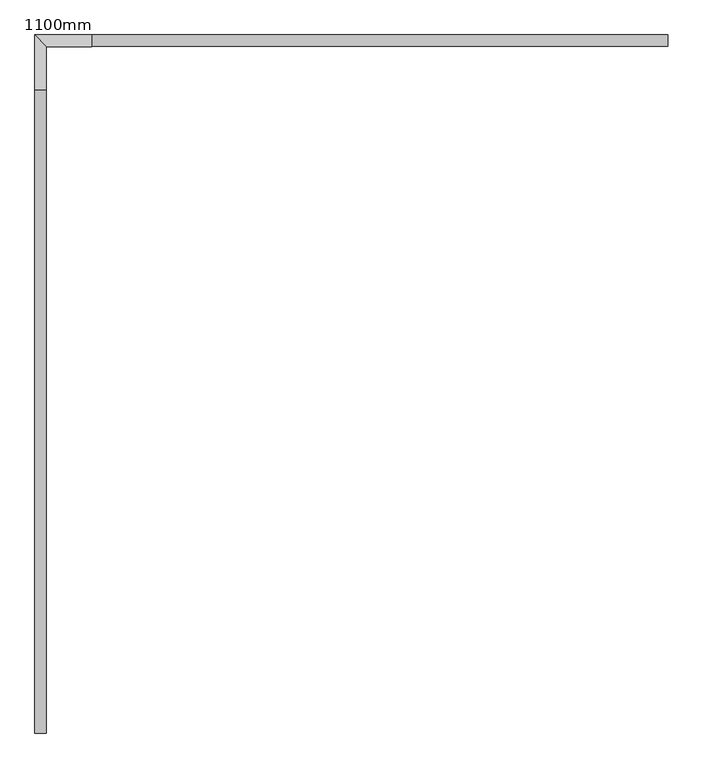
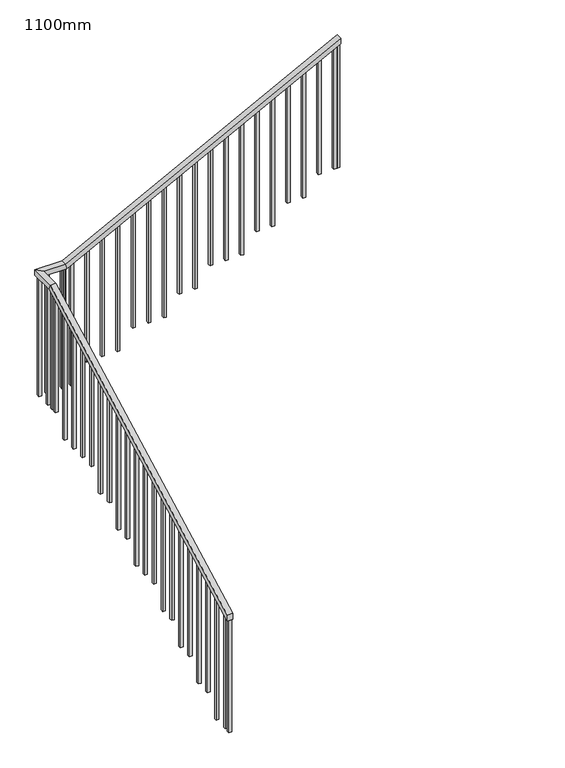
"""IFC4 building model written with IfcOpenShell, lengths in millimetres: railing geometry, 1100mm."""

from ifc_helpers import new_model, si_unit, frame, origin, place, context, project, spatial, polyline, outline, extrude, faceted_brep, source, transform, mapped, element, save


def railing_1100mm_851e2620(model_context):
    return source(origin(), model_context, "Body", "SolidModel", [
        faceted_brep([(-5407.1565664, 1073.4018878, 1304.2595932), (-5407.1565664, 1073.4018878, 1247.6476024), (-5357.1565664, 1073.4018878, 1247.6476024), (-5357.1565664, 1073.4018878, 1304.2595932), (-5407.1565664, 3850.8335, 2779.091484), (-5407.1565664, 3863.2853277, 2729.091484), (-5357.1565664, 3863.2853277, 2729.091484), (-5357.1565664, 3850.8335, 2779.091484), (-5407.1565664, 4090.7269455, 2779.091484), (-5407.1565664, 4090.7269455, 2729.091484), (-5357.1565664, 4040.7269455, 2729.091484), (-5357.1565664, 4040.7269455, 2779.091484), (-5161.6232055, 4090.7269455, 2779.091484), (-5149.4538365, 4090.7269455, 2729.091484), (-5149.4538365, 4040.7269455, 2729.091484), (-5161.6232055, 4040.7269455, 2779.091484), (-2669.8315087, 4090.7269455, 4068.4086155), (-2669.8315087, 4040.7269455, 4068.4086155), (-2669.8315087, 4040.7269455, 4012.1118708), (-2669.8315087, 4090.7269455, 4012.1118708)], [[[0, 1, 2, 3]], [[1, 0, 4, 5]], [[2, 1, 5, 6]], [[3, 2, 6, 7]], [[0, 3, 7, 4]], [[5, 4, 8, 9]], [[6, 5, 9, 10]], [[7, 6, 10, 11]], [[4, 7, 11, 8]], [[9, 8, 12, 13]], [[10, 9, 13, 14]], [[11, 10, 14, 15]], [[8, 11, 15, 12]], [[16, 17, 18, 19]], [[13, 12, 16, 19]], [[14, 13, 19, 18]], [[15, 14, 18, 17]], [[12, 15, 17, 16]]]),
        extrude(outline(polyline([(2823.5294118, -2724.1232055), (2823.5294118, -2699.1232055), (3996.9555932, -2699.1232055), (3984.0199501, -2724.1232055), (2823.5294118, -2724.1232055)])), frame((0.0, 4053.2269455, 0.0), z_axis=(0.0, 1.0, 0.0), x_axis=(0.0, 0.0, 1.0)), (0.0, 0.0, 1.0), 25.0),
        extrude(outline(polyline([(2823.5294118, -2864.1232055), (2823.5294118, -2839.1232055), (3924.5159914, -2839.1232055), (3911.5803482, -2864.1232055), (2823.5294118, -2864.1232055)])), frame((0.0, 4053.2269455, 0.0), z_axis=(0.0, 1.0, 0.0), x_axis=(0.0, 0.0, 1.0)), (0.0, 0.0, 1.0), 25.0),
        extrude(outline(polyline([(2647.0588235, -3004.1232055), (2647.0588235, -2979.1232055), (3852.0763896, -2979.1232055), (3839.1407464, -3004.1232055), (2647.0588235, -3004.1232055)])), frame((0.0, 4053.2269455, 0.0), z_axis=(0.0, 1.0, 0.0), x_axis=(0.0, 0.0, 1.0)), (0.0, 0.0, 1.0), 25.0),
        extrude(outline(polyline([(2647.0588235, -3144.1232055), (2647.0588235, -3119.1232055), (3779.6367877, -3119.1232055), (3766.7011445, -3144.1232055), (2647.0588235, -3144.1232055)])), frame((0.0, 4053.2269455, 0.0), z_axis=(0.0, 1.0, 0.0), x_axis=(0.0, 0.0, 1.0)), (0.0, 0.0, 1.0), 25.0),
        extrude(outline(polyline([(2470.5882353, -3284.1232055), (2470.5882353, -3259.1232055), (3707.1971859, -3259.1232055), (3694.2615427, -3284.1232055), (2470.5882353, -3284.1232055)])), frame((0.0, 4053.2269455, 0.0), z_axis=(0.0, 1.0, 0.0), x_axis=(0.0, 0.0, 1.0)), (0.0, 0.0, 1.0), 25.0),
        extrude(outline(polyline([(2470.5882353, -3424.1232055), (2470.5882353, -3399.1232055), (3634.757584, -3399.1232055), (3621.8219408, -3424.1232055), (2470.5882353, -3424.1232055)])), frame((0.0, 4053.2269455, 0.0), z_axis=(0.0, 1.0, 0.0), x_axis=(0.0, 0.0, 1.0)), (0.0, 0.0, 1.0), 25.0),
        extrude(outline(polyline([(2294.1176471, -3564.1232055), (2294.1176471, -3539.1232055), (3562.3179822, -3539.1232055), (3549.382339, -3564.1232055), (2294.1176471, -3564.1232055)])), frame((0.0, 4053.2269455, 0.0), z_axis=(0.0, 1.0, 0.0), x_axis=(0.0, 0.0, 1.0)), (0.0, 0.0, 1.0), 25.0),
        extrude(outline(polyline([(2294.1176471, -3704.1232055), (2294.1176471, -3679.1232055), (3489.8783803, -3679.1232055), (3476.9427371, -3704.1232055), (2294.1176471, -3704.1232055)])), frame((0.0, 4053.2269455, 0.0), z_axis=(0.0, 1.0, 0.0), x_axis=(0.0, 0.0, 1.0)), (0.0, 0.0, 1.0), 25.0),
        extrude(outline(polyline([(2294.1176471, -3844.1232055), (2294.1176471, -3819.1232055), (3417.4387785, -3819.1232055), (3404.5031353, -3844.1232055), (2294.1176471, -3844.1232055)])), frame((0.0, 4053.2269455, 0.0), z_axis=(0.0, 1.0, 0.0), x_axis=(0.0, 0.0, 1.0)), (0.0, 0.0, 1.0), 25.0),
        extrude(outline(polyline([(2117.6470588, -3984.1232055), (2117.6470588, -3959.1232055), (3344.9991766, -3959.1232055), (3332.0635334, -3984.1232055), (2117.6470588, -3984.1232055)])), frame((0.0, 4053.2269455, 0.0), z_axis=(0.0, 1.0, 0.0), x_axis=(0.0, 0.0, 1.0)), (0.0, 0.0, 1.0), 25.0),
        extrude(outline(polyline([(2117.6470588, -4124.1232055), (2117.6470588, -4099.1232055), (3272.5595748, -4099.1232055), (3259.6239316, -4124.1232055), (2117.6470588, -4124.1232055)])), frame((0.0, 4053.2269455, 0.0), z_axis=(0.0, 1.0, 0.0), x_axis=(0.0, 0.0, 1.0)), (0.0, 0.0, 1.0), 25.0),
        extrude(outline(polyline([(1941.1764706, -4264.1232055), (1941.1764706, -4239.1232055), (3200.1199729, -4239.1232055), (3187.1843297, -4264.1232055), (1941.1764706, -4264.1232055)])), frame((0.0, 4053.2269455, 0.0), z_axis=(0.0, 1.0, 0.0), x_axis=(0.0, 0.0, 1.0)), (0.0, 0.0, 1.0), 25.0),
        extrude(outline(polyline([(1941.1764706, -4404.1232055), (1941.1764706, -4379.1232055), (3127.6803711, -4379.1232055), (3114.7447279, -4404.1232055), (1941.1764706, -4404.1232055)])), frame((0.0, 4053.2269455, 0.0), z_axis=(0.0, 1.0, 0.0), x_axis=(0.0, 0.0, 1.0)), (0.0, 0.0, 1.0), 25.0),
        extrude(outline(polyline([(1941.1764706, -4544.1232055), (1941.1764706, -4519.1232055), (3055.2407692, -4519.1232055), (3042.305126, -4544.1232055), (1941.1764706, -4544.1232055)])), frame((0.0, 4053.2269455, 0.0), z_axis=(0.0, 1.0, 0.0), x_axis=(0.0, 0.0, 1.0)), (0.0, 0.0, 1.0), 25.0),
        extrude(outline(polyline([(1764.7058824, -4684.1232055), (1764.7058824, -4659.1232055), (2982.8011674, -4659.1232055), (2969.8655242, -4684.1232055), (1764.7058824, -4684.1232055)])), frame((0.0, 4053.2269455, 0.0), z_axis=(0.0, 1.0, 0.0), x_axis=(0.0, 0.0, 1.0)), (0.0, 0.0, 1.0), 25.0),
        extrude(outline(polyline([(1764.7058824, -4824.1232055), (1764.7058824, -4799.1232055), (2910.3615655, -4799.1232055), (2897.4259223, -4824.1232055), (1764.7058824, -4824.1232055)])), frame((0.0, 4053.2269455, 0.0), z_axis=(0.0, 1.0, 0.0), x_axis=(0.0, 0.0, 1.0)), (0.0, 0.0, 1.0), 25.0),
        extrude(outline(polyline([(1764.7058824, -4964.1232055), (1764.7058824, -4939.1232055), (2837.9219637, -4939.1232055), (2824.9863205, -4964.1232055), (1764.7058824, -4964.1232055)])), frame((0.0, 4053.2269455, 0.0), z_axis=(0.0, 1.0, 0.0), x_axis=(0.0, 0.0, 1.0)), (0.0, 0.0, 1.0), 25.0),
        extrude(outline(polyline([(1588.2352941, -5104.1232055), (1588.2352941, -5079.1232055), (2765.4823618, -5079.1232055), (2752.5467187, -5104.1232055), (1588.2352941, -5104.1232055)])), frame((0.0, 4053.2269455, 0.0), z_axis=(0.0, 1.0, 0.0), x_axis=(0.0, 0.0, 1.0)), (0.0, 0.0, 1.0), 25.0),
        extrude(outline(polyline([(-5184.6565664, 4078.2269455), (-5159.6565664, 4078.2269455), (-5159.6565664, 4053.2269455), (-5184.6565664, 4053.2269455), (-5184.6565664, 4078.2269455)])), frame((0.0, 0.0, 1588.2352941), z_axis=(0.0, 0.0, 1.0), x_axis=(1.0, 0.0, 0.0)), (0.0, 0.0, 1.0), 1140.8561899),
        extrude(outline(polyline([(-5324.6565664, 4078.2269455), (-5299.6565664, 4078.2269455), (-5299.6565664, 4053.2269455), (-5324.6565664, 4053.2269455), (-5324.6565664, 4078.2269455)])), frame((0.0, 0.0, 1588.2352941), z_axis=(0.0, 0.0, 1.0), x_axis=(1.0, 0.0, 0.0)), (0.0, 0.0, 1.0), 1140.8561899),
        extrude(outline(polyline([(-5394.6565664, 4048.3335), (-5394.6565664, 4073.3335), (-5369.6565664, 4073.3335), (-5369.6565664, 4048.3335), (-5394.6565664, 4048.3335)])), frame((0.0, 0.0, 1588.2352941), z_axis=(0.0, 0.0, 1.0), x_axis=(1.0, 0.0, 0.0)), (0.0, 0.0, 1.0), 1140.8561899),
        extrude(outline(polyline([(-5394.6565664, 3908.3335), (-5394.6565664, 3933.3335), (-5369.6565664, 3933.3335), (-5369.6565664, 3908.3335), (-5394.6565664, 3908.3335)])), frame((0.0, 0.0, 1588.2352941), z_axis=(0.0, 0.0, 1.0), x_axis=(1.0, 0.0, 0.0)), (0.0, 0.0, 1.0), 1140.8561899),
        extrude(outline(polyline([(3790.9018878, 2690.6554681), (3815.9018878, 2703.9306095), (3815.9018878, 1588.2352941), (3790.9018878, 1588.2352941), (3790.9018878, 2690.6554681)])), frame((-5394.6565664, 0.0, 0.0), z_axis=(1.0, 0.0, 0.0), x_axis=(0.0, 1.0, 0.0)), (0.0, 0.0, 1.0), 25.0),
        extrude(outline(polyline([(3650.9018878, 2616.3146765), (3675.9018878, 2629.5898179), (3675.9018878, 1411.7647059), (3650.9018878, 1411.7647059), (3650.9018878, 2616.3146765)])), frame((-5394.6565664, 0.0, 0.0), z_axis=(1.0, 0.0, 0.0), x_axis=(0.0, 1.0, 0.0)), (0.0, 0.0, 1.0), 25.0),
        extrude(outline(polyline([(3510.9018878, 2541.9738849), (3535.9018878, 2555.2490263), (3535.9018878, 1411.7647059), (3510.9018878, 1411.7647059), (3510.9018878, 2541.9738849)])), frame((-5394.6565664, 0.0, 0.0), z_axis=(1.0, 0.0, 0.0), x_axis=(0.0, 1.0, 0.0)), (0.0, 0.0, 1.0), 25.0),
        extrude(outline(polyline([(3370.9018878, 2467.6330933), (3395.9018878, 2480.9082347), (3395.9018878, 1411.7647059), (3370.9018878, 1411.7647059), (3370.9018878, 2467.6330933)])), frame((-5394.6565664, 0.0, 0.0), z_axis=(1.0, 0.0, 0.0), x_axis=(0.0, 1.0, 0.0)), (0.0, 0.0, 1.0), 25.0),
        extrude(outline(polyline([(3230.9018878, 2393.2923017), (3255.9018878, 2406.567443), (3255.9018878, 1411.7647059), (3230.9018878, 1411.7647059), (3230.9018878, 2393.2923017)])), frame((-5394.6565664, 0.0, 0.0), z_axis=(1.0, 0.0, 0.0), x_axis=(0.0, 1.0, 0.0)), (0.0, 0.0, 1.0), 25.0),
        extrude(outline(polyline([(3090.9018878, 2318.9515101), (3115.9018878, 2332.2266514), (3115.9018878, 1235.2941176), (3090.9018878, 1235.2941176), (3090.9018878, 2318.9515101)])), frame((-5394.6565664, 0.0, 0.0), z_axis=(1.0, 0.0, 0.0), x_axis=(0.0, 1.0, 0.0)), (0.0, 0.0, 1.0), 25.0),
        extrude(outline(polyline([(2950.9018878, 2244.6107185), (2975.9018878, 2257.8858598), (2975.9018878, 1235.2941176), (2950.9018878, 1235.2941176), (2950.9018878, 2244.6107185)])), frame((-5394.6565664, 0.0, 0.0), z_axis=(1.0, 0.0, 0.0), x_axis=(0.0, 1.0, 0.0)), (0.0, 0.0, 1.0), 25.0),
        extrude(outline(polyline([(2810.9018878, 2170.2699268), (2835.9018878, 2183.5450682), (2835.9018878, 1058.8235294), (2810.9018878, 1058.8235294), (2810.9018878, 2170.2699268)])), frame((-5394.6565664, 0.0, 0.0), z_axis=(1.0, 0.0, 0.0), x_axis=(0.0, 1.0, 0.0)), (0.0, 0.0, 1.0), 25.0),
        extrude(outline(polyline([(2670.9018878, 2095.9291352), (2695.9018878, 2109.2042766), (2695.9018878, 1058.8235294), (2670.9018878, 1058.8235294), (2670.9018878, 2095.9291352)])), frame((-5394.6565664, 0.0, 0.0), z_axis=(1.0, 0.0, 0.0), x_axis=(0.0, 1.0, 0.0)), (0.0, 0.0, 1.0), 25.0),
        extrude(outline(polyline([(2530.9018878, 2021.5883436), (2555.9018878, 2034.863485), (2555.9018878, 882.3529412), (2530.9018878, 882.3529412), (2530.9018878, 2021.5883436)])), frame((-5394.6565664, 0.0, 0.0), z_axis=(1.0, 0.0, 0.0), x_axis=(0.0, 1.0, 0.0)), (0.0, 0.0, 1.0), 25.0),
        extrude(outline(polyline([(2390.9018878, 1947.247552), (2415.9018878, 1960.5226934), (2415.9018878, 882.3529412), (2390.9018878, 882.3529412), (2390.9018878, 1947.247552)])), frame((-5394.6565664, 0.0, 0.0), z_axis=(1.0, 0.0, 0.0), x_axis=(0.0, 1.0, 0.0)), (0.0, 0.0, 1.0), 25.0),
        extrude(outline(polyline([(2250.9018878, 1872.9067604), (2275.9018878, 1886.1819018), (2275.9018878, 882.3529412), (2250.9018878, 882.3529412), (2250.9018878, 1872.9067604)])), frame((-5394.6565664, 0.0, 0.0), z_axis=(1.0, 0.0, 0.0), x_axis=(0.0, 1.0, 0.0)), (0.0, 0.0, 1.0), 25.0),
        extrude(outline(polyline([(2110.9018878, 1798.5659688), (2135.9018878, 1811.8411101), (2135.9018878, 705.8823529), (2110.9018878, 705.8823529), (2110.9018878, 1798.5659688)])), frame((-5394.6565664, 0.0, 0.0), z_axis=(1.0, 0.0, 0.0), x_axis=(0.0, 1.0, 0.0)), (0.0, 0.0, 1.0), 25.0),
        extrude(outline(polyline([(1970.9018878, 1724.2251772), (1995.9018878, 1737.5003185), (1995.9018878, 705.8823529), (1970.9018878, 705.8823529), (1970.9018878, 1724.2251772)])), frame((-5394.6565664, 0.0, 0.0), z_axis=(1.0, 0.0, 0.0), x_axis=(0.0, 1.0, 0.0)), (0.0, 0.0, 1.0), 25.0),
        extrude(outline(polyline([(1830.9018878, 1649.8843855), (1855.9018878, 1663.1595269), (1855.9018878, 529.4117647), (1830.9018878, 529.4117647), (1830.9018878, 1649.8843855)])), frame((-5394.6565664, 0.0, 0.0), z_axis=(1.0, 0.0, 0.0), x_axis=(0.0, 1.0, 0.0)), (0.0, 0.0, 1.0), 25.0),
        extrude(outline(polyline([(1690.9018878, 1575.5435939), (1715.9018878, 1588.8187353), (1715.9018878, 529.4117647), (1690.9018878, 529.4117647), (1690.9018878, 1575.5435939)])), frame((-5394.6565664, 0.0, 0.0), z_axis=(1.0, 0.0, 0.0), x_axis=(0.0, 1.0, 0.0)), (0.0, 0.0, 1.0), 25.0),
        extrude(outline(polyline([(1550.9018878, 1501.2028023), (1575.9018878, 1514.4779437), (1575.9018878, 352.9411765), (1550.9018878, 352.9411765), (1550.9018878, 1501.2028023)])), frame((-5394.6565664, 0.0, 0.0), z_axis=(1.0, 0.0, 0.0), x_axis=(0.0, 1.0, 0.0)), (0.0, 0.0, 1.0), 25.0),
        extrude(outline(polyline([(1410.9018878, 1426.8620107), (1435.9018878, 1440.1371521), (1435.9018878, 352.9411765), (1410.9018878, 352.9411765), (1410.9018878, 1426.8620107)])), frame((-5394.6565664, 0.0, 0.0), z_axis=(1.0, 0.0, 0.0), x_axis=(0.0, 1.0, 0.0)), (0.0, 0.0, 1.0), 25.0),
        extrude(outline(polyline([(1270.9018878, 1352.5212191), (1295.9018878, 1365.7963605), (1295.9018878, 176.4705882), (1270.9018878, 176.4705882), (1270.9018878, 1352.5212191)])), frame((-5394.6565664, 0.0, 0.0), z_axis=(1.0, 0.0, 0.0), x_axis=(0.0, 1.0, 0.0)), (0.0, 0.0, 1.0), 25.0),
        extrude(outline(polyline([(1130.9018878, 1278.1804275), (1155.9018878, 1291.4555688), (1155.9018878, 176.4705882), (1130.9018878, 176.4705882), (1130.9018878, 1278.1804275)])), frame((-5394.6565664, 0.0, 0.0), z_axis=(1.0, 0.0, 0.0), x_axis=(0.0, 1.0, 0.0)), (0.0, 0.0, 1.0), 25.0),
        extrude(outline(polyline([(-5174.1232055, 4078.2269455), (-5149.1232055, 4078.2269455), (-5149.1232055, 4053.2269455), (-5174.1232055, 4053.2269455), (-5174.1232055, 4078.2269455)])), frame((0.0, 0.0, 1588.2352941), z_axis=(0.0, 0.0, 1.0), x_axis=(1.0, 0.0, 0.0)), (0.0, 0.0, 1.0), 1140.8561899),
        extrude(outline(polyline([(-5394.6565664, 4053.2269455), (-5394.6565664, 4078.2269455), (-5369.6565664, 4078.2269455), (-5369.6565664, 4053.2269455), (-5394.6565664, 4053.2269455)])), frame((0.0, 0.0, 1588.2352941), z_axis=(0.0, 0.0, 1.0), x_axis=(1.0, 0.0, 0.0)), (0.0, 0.0, 1.0), 1140.8561899),
        extrude(outline(polyline([(3838.3335, 2715.8419224), (3863.3335, 2729.1170638), (3863.3335, 1588.2352941), (3838.3335, 1588.2352941), (3838.3335, 2715.8419224)])), frame((-5394.6565664, 0.0, 0.0), z_axis=(1.0, 0.0, 0.0), x_axis=(0.0, 1.0, 0.0)), (0.0, 0.0, 1.0), 25.0),
        extrude(outline(polyline([(2823.5294118, -2694.8315087), (2823.5294118, -2669.8315087), (4012.1118708, -2669.8315087), (3999.1762276, -2694.8315087), (2823.5294118, -2694.8315087)])), frame((0.0, 4053.2269455, 0.0), z_axis=(0.0, 1.0, 0.0), x_axis=(0.0, 0.0, 1.0)), (0.0, 0.0, 1.0), 25.0),
        extrude(outline(polyline([(1073.4018878, 1247.6476024), (1098.4018878, 1260.9227437), (1098.4018878, 176.4705882), (1073.4018878, 176.4705882), (1073.4018878, 1247.6476024)])), frame((-5394.6565664, 0.0, 0.0), z_axis=(1.0, 0.0, 0.0), x_axis=(0.0, 1.0, 0.0)), (0.0, 0.0, 1.0), 25.0),
    ])


if __name__ == "__main__":
    model = new_model("IFC4")
    model_context = context("Model", 3, world=origin())
    ifc_project = project(units=[si_unit("LENGTHUNIT", "METRE", prefix="MILLI")], contexts=[model_context])
    site = spatial("IfcSite", under=ifc_project)
    building = spatial("IfcBuilding", under=site)
    placement = place(None, origin())
    railing_1100mm_shape = railing_1100mm_851e2620(model_context)
    element("IfcRailing", 1, ObjectType="1100mm", at=placement, inside=building, context=model_context, shape_type="MappedRepresentation", body=[
        mapped(railing_1100mm_shape, transform((0.0, 0.0, 0.0), x_axis=(1.0, 0.0, 0.0), y_axis=(0.0, 1.0, 0.0), z_axis=(0.0, 0.0, 1.0))),
    ])
    save(model, "model.ifc")
